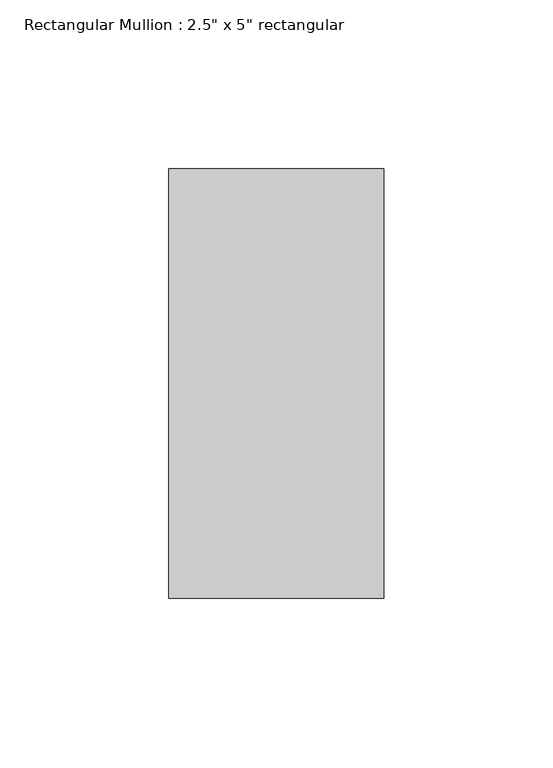
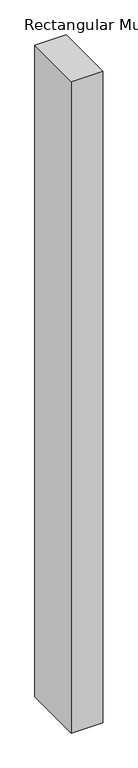
"""IFC4 building model written with IfcOpenShell, lengths in millimetres: member geometry."""

from ifc_helpers import new_model, si_unit, frame, origin, place, context, project, spatial, polyline, outline, extrude, source, transform, mapped, element, save


def member_cd506ed9(model_context):
    return source(origin(), model_context, "Body", "SweptSolid", [
        extrude(outline(polyline([(0.0, 63.5), (0.0, -63.5), (-63.5, -63.5), (-63.5, 63.5), (0.0, 63.5)])), frame((0.0, 0.0, -1386.5), z_axis=(0.0, 0.0, 1.0), x_axis=(1.0, 0.0, 0.0)), (0.0, 0.0, 1.0), 1386.5),
    ])


if __name__ == "__main__":
    model = new_model("IFC4")
    model_context = context("Model", 3, world=origin())
    ifc_project = project(units=[si_unit("LENGTHUNIT", "METRE", prefix="MILLI")], contexts=[model_context])
    site = spatial("IfcSite", under=ifc_project)
    building = spatial("IfcBuilding", under=site)
    placement = place(None, origin())
    member_shape = member_cd506ed9(model_context)
    element("IfcMember", 1, ObjectType="Rectangular Mullion : 2.5\" x 5\" rectangular", at=placement, inside=building, context=model_context, shape_type="MappedRepresentation", body=[
        mapped(member_shape, transform((0.0, 0.0, 0.0), x_axis=(1.0, 0.0, 0.0), y_axis=(0.0, 1.0, 0.0), z_axis=(0.0, 0.0, 1.0))),
    ])
    save(model, "model.ifc")
